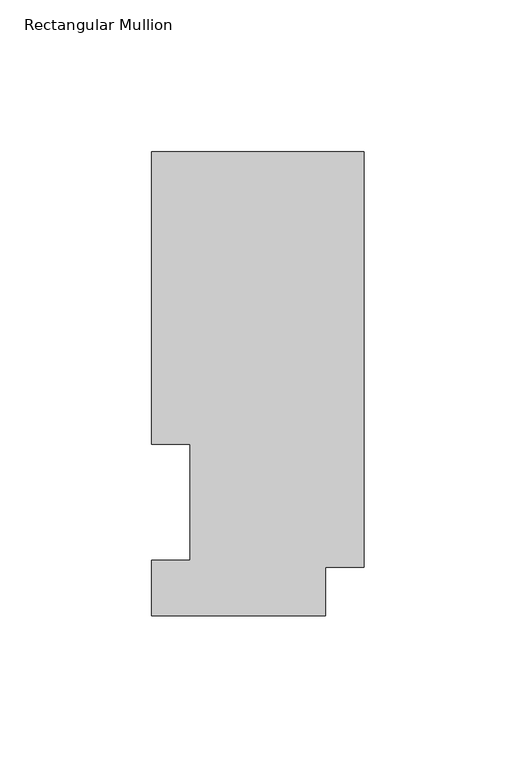
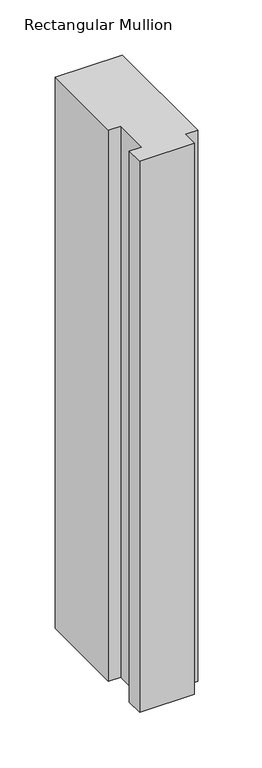
"""IFC4 building model written with IfcOpenShell, lengths in millimetres: member geometry, Rectangular Mullion."""

import ifcopenshell
import ifcopenshell.guid

model = None  # the IFC model being written
_history = None  # IfcOwnerHistory: only IFC2X3 demands one
_inside = {}  # id of a spatial element -> (the spatial element, [elements in it])
_under = {}  # id of a project, library or spatial element -> (it, [spatial elements below it])
_declared = {}  # id of a project -> (the project, [libraries it declares])
_typed = {}  # id of a type object -> (the type object, [elements of that type])
_made_of = {}  # id of a material, layer set ... -> (it, [elements and type objects made of it])


def new_model(schema):
    """Start an empty IFC model of exactly this schema.

    Asked for "IFC4X3", IfcOpenShell would pick the latest addendum, in which some entities
    have other attributes; the version numbers below select the first issue.
    IFC2X3 requires an IfcOwnerHistory on every rooted entity: one is made here for all.
    """
    global model, _history
    if schema == "IFC4X3":
        model = ifcopenshell.file(schema_version=(4, 3, 0, 0))
    else:
        model = ifcopenshell.file(schema=schema)
    _inside.clear()
    _under.clear()
    _declared.clear()
    _typed.clear()
    _made_of.clear()
    _history = None
    if model.schema == "IFC2X3":
        org = make("IfcOrganization", Name="unknown")
        user = make(
            "IfcPersonAndOrganization",
            ThePerson=make("IfcPerson", FamilyName="unknown"),
            TheOrganization=org,
        )
        app = make(
            "IfcApplication",
            ApplicationDeveloper=org,
            Version="unknown",
            ApplicationFullName="unknown",
            ApplicationIdentifier="unknown",
        )
        _history = make(
            "IfcOwnerHistory",
            OwningUser=user,
            OwningApplication=app,
            ChangeAction="ADDED",
            CreationDate=0,
        )
    return model


def make(cls, **values):
    """One entity of the class cls with the attributes given. An attribute that is None is left unset."""
    return model.create_entity(
        cls, **{name: value for name, value in values.items() if value is not None}
    )


def rooted(cls, **values):
    """An entity with a GlobalId (a new one), such as an element, a storey or a relation."""
    return make(cls, GlobalId=ifcopenshell.guid.new(), OwnerHistory=_history, **values)


def si_unit(unit_type, name, prefix=None):
    """IfcSIUnit, for example si_unit("LENGTHUNIT", "METRE", prefix="MILLI")."""
    return make("IfcSIUnit", UnitType=unit_type, Prefix=prefix, Name=name)


def assignment(units):
    """IfcUnitAssignment: the units of a project."""
    return None if units is None else make("IfcUnitAssignment", Units=units)


def point(xyz):
    """IfcCartesianPoint."""
    return None if xyz is None else make("IfcCartesianPoint", Coordinates=xyz)


def direction(xyz):
    """IfcDirection."""
    return None if xyz is None else make("IfcDirection", DirectionRatios=xyz)


def frame(location, z_axis=None, x_axis=None):
    """IfcAxis2Placement3D, a coordinate frame: its origin and axes. An axis left out is left unset."""
    return make(
        "IfcAxis2Placement3D",
        Location=point(location),
        Axis=direction(z_axis),
        RefDirection=direction(x_axis),
    )


def origin():
    """The frame at (0, 0, 0) with its axes left unset."""
    return frame((0.0, 0.0, 0.0))


def place(relative_to, where):
    """IfcLocalPlacement: puts the frame where relative to a parent placement (None: the world)."""
    return make(
        "IfcLocalPlacement", PlacementRelTo=relative_to, RelativePlacement=where
    )


def context(
    kind, dimensions, precision=None, world=None, true_north=None, identifier=None
):
    """IfcGeometricRepresentationContext, for example the 3D "Model" context."""
    return make(
        "IfcGeometricRepresentationContext",
        ContextIdentifier=identifier,
        ContextType=kind,
        CoordinateSpaceDimension=dimensions,
        Precision=precision,
        WorldCoordinateSystem=world,
        TrueNorth=true_north,
    )


def project(units=None, contexts=None):
    """IfcProject with its units and contexts."""
    return rooted(
        "IfcProject",
        Name="project",
        RepresentationContexts=contexts,
        UnitsInContext=assignment(units),
    )


def spatial(cls, under=None, at=None, **own):
    """A site, building, storey or space (cls), placed at a placement, below another one or the project."""
    s = rooted(cls, ObjectPlacement=at, **own)
    if under is not None:
        _under.setdefault(under.id(), (under, []))[1].append(s)
    return s


def polyline(points):
    """IfcPolyline through the points."""
    return make("IfcPolyline", Points=[point(p) for p in points])


def outline(outer, holes=None, kind="AREA"):
    """IfcArbitraryClosedProfileDef: a profile drawn as a closed curve; with holes, ...WithVoids."""
    if holes is None:
        return make("IfcArbitraryClosedProfileDef", ProfileType=kind, OuterCurve=outer)
    return make(
        "IfcArbitraryProfileDefWithVoids",
        ProfileType=kind,
        OuterCurve=outer,
        InnerCurves=holes,
    )


def extrude(swept, where, along, depth):
    """IfcExtrudedAreaSolid: the profile swept, set in the frame where, extruded along a direction by depth."""
    return make(
        "IfcExtrudedAreaSolid",
        SweptArea=swept,
        Position=where,
        ExtrudedDirection=direction(along),
        Depth=depth,
    )


def shape(context_of_items, identifier, shape_type, items):
    """IfcShapeRepresentation: the items that make up one representation, for example the "Body"."""
    return make(
        "IfcShapeRepresentation",
        ContextOfItems=context_of_items,
        RepresentationIdentifier=identifier,
        RepresentationType=shape_type,
        Items=items,
    )


def source(mapping_origin, context_of_items, identifier, shape_type, items):
    """IfcRepresentationMap: a shape defined once, which mapped items show again and again."""
    return make(
        "IfcRepresentationMap",
        MappingOrigin=mapping_origin,
        MappedRepresentation=shape(context_of_items, identifier, shape_type, items),
    )


def transform(
    local_origin,
    x_axis=None,
    y_axis=None,
    z_axis=None,
    scale=None,
    scale2=None,
    scale3=None,
    uniform=True,
):
    """IfcCartesianTransformationOperator3D, or its non-uniform kind. x_axis, y_axis, z_axis: its Axis1, 2, 3."""
    if uniform:
        return make(
            "IfcCartesianTransformationOperator3D",
            Axis1=direction(x_axis),
            Axis2=direction(y_axis),
            LocalOrigin=point(local_origin),
            Scale=scale,
            Axis3=direction(z_axis),
        )
    return make(
        "IfcCartesianTransformationOperator3DnonUniform",
        Axis1=direction(x_axis),
        Axis2=direction(y_axis),
        LocalOrigin=point(local_origin),
        Scale=scale,
        Axis3=direction(z_axis),
        Scale2=scale2,
        Scale3=scale3,
    )


def mapped(mapping_source, mapping_target):
    """IfcMappedItem: shows the shape of a source again, moved by a transform."""
    return make(
        "IfcMappedItem", MappingSource=mapping_source, MappingTarget=mapping_target
    )


def made_of(thing, what):
    """Note that an element or type object is made of a material, layer set ...; save() writes the relation."""
    if what is not None:
        _made_of.setdefault(what.id(), (what, []))[1].append(thing)
    return thing


def element(
    cls,
    number,
    at=None,
    inside=None,
    cuts=None,
    type_object=None,
    material=None,
    context=None,
    identifier="Body",
    shape_type=None,
    held_by="IfcProductDefinitionShape",
    body=None,
    shapes=None,
    **own,
):
    """One element of the class cls, such as IfcWall. Its Tag is "e" and its number.

    at: its placement. inside: the storey or other place that contains it. cuts: it is an
    opening in that element (IfcRelVoidsElement). A single representation is given by context,
    identifier, shape_type and body (its items); several are given by shapes. held_by: the class
    of the entity that holds the representations. save() writes the other relations.
    """
    e = rooted(cls, Tag="e%d" % number, ObjectPlacement=at, **own)
    if body is not None:
        shapes = [shape(context, identifier, shape_type, body)]
    if shapes is not None:
        e.Representation = make(held_by, Representations=shapes)
    if inside is not None:
        _inside.setdefault(inside.id(), (inside, []))[1].append(e)
    if cuts is not None:
        rooted(
            "IfcRelVoidsElement", RelatingBuildingElement=cuts, RelatedOpeningElement=e
        )
    if type_object is not None:
        _typed.setdefault(type_object.id(), (type_object, []))[1].append(e)
    return made_of(e, material)


def aggregate(whole, parts):
    """IfcRelAggregates: a whole, such as a stair, and the parts it consists of."""
    return rooted("IfcRelAggregates", RelatingObject=whole, RelatedObjects=parts)


def save(model, path):
    """Write the relations noted so far, then the file.

    IfcRelAggregates (storeys below a building ...), IfcRelContainedInSpatialStructure (elements
    in a storey), IfcRelDefinesByType, IfcRelAssociatesMaterial and IfcRelDeclares: one each for
    every whole, place, type object, material and project.
    """
    for whole, parts in _under.values():
        aggregate(whole, parts)
    for where, things in _inside.values():
        rooted(
            "IfcRelContainedInSpatialStructure",
            RelatedElements=things,
            RelatingStructure=where,
        )
    for kind, things in _typed.values():
        rooted("IfcRelDefinesByType", RelatedObjects=things, RelatingType=kind)
    for what, things in _made_of.values():
        rooted("IfcRelAssociatesMaterial", RelatedObjects=things, RelatingMaterial=what)
    for by, libraries in _declared.values():
        rooted("IfcRelDeclares", RelatingContext=by, RelatedDefinitions=libraries)
    model.write(path)


def rectangular_mullion_44b4f1c7(model_context):
    return source(origin(), model_context, "Body", "SweptSolid", [
        extrude(outline(polyline([(-69.9516, 152.6475062), (0.0, 152.6475062), (0.0, 15.86865), (-12.8016, 15.86865), (-12.8016, -0.03175), (-69.9516, -0.03175), (-69.9516, 18.25625), (-57.2516, 18.25625), (-57.2516, 56.35625), (-69.9516, 56.35625), (-69.9516, 152.6475062)])), frame((0.0, 0.0, -609.56825), z_axis=(0.0, 0.0, 1.0), x_axis=(1.0, 0.0, 0.0)), (0.0, 0.0, 1.0), 609.56825),
    ])


if __name__ == "__main__":
    model = new_model("IFC4")
    model_context = context("Model", 3, world=origin())
    ifc_project = project(units=[si_unit("LENGTHUNIT", "METRE", prefix="MILLI")], contexts=[model_context])
    site = spatial("IfcSite", under=ifc_project)
    building = spatial("IfcBuilding", under=site)
    placement = place(None, origin())
    rectangular_mullion_shape = rectangular_mullion_44b4f1c7(model_context)
    element("IfcMember", 1, ObjectType="Rectangular Mullion", at=placement, inside=building, context=model_context, shape_type="MappedRepresentation", body=[
        mapped(rectangular_mullion_shape, transform((0.0, 0.0, 0.0), x_axis=(1.0, 0.0, 0.0), y_axis=(0.0, 1.0, 0.0), z_axis=(0.0, 0.0, 1.0))),
    ])
    save(model, "model.ifc")
